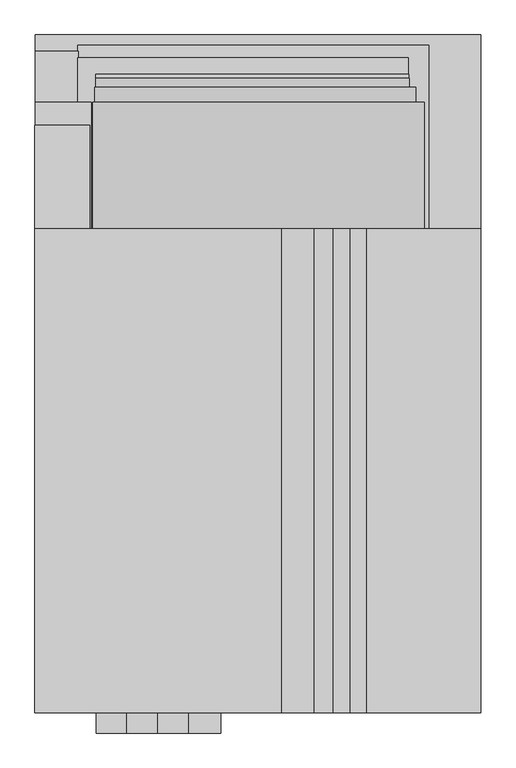
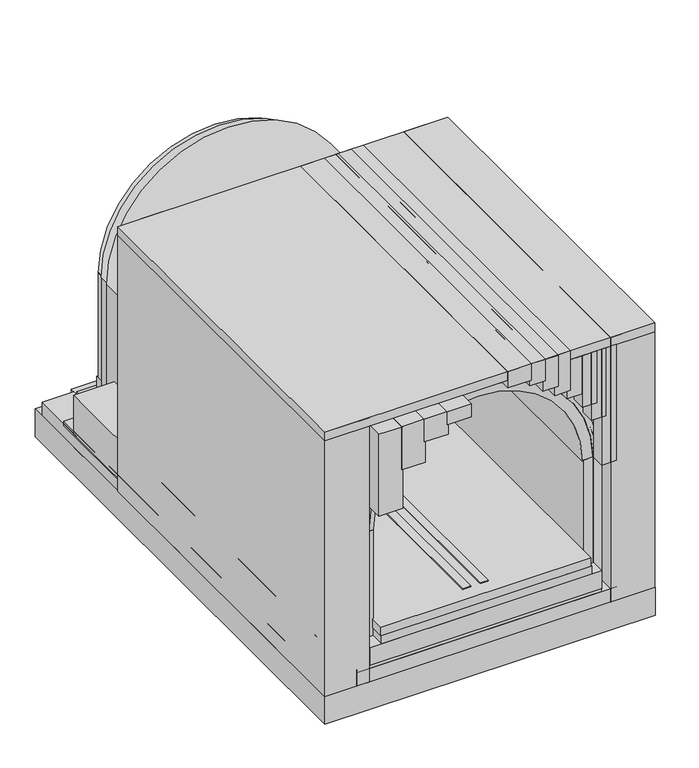
"""IFC4 building model written with IfcOpenShell, lengths in millimetres: proxy geometry."""

from ifc_helpers import new_model, si_unit, point, frame, frame_2d, origin, origin_with_axes, place, context, project, spatial, polyline, circle_curve, trimmed, segment, composite_curve, outline, extrude, source, transform, mapped, element, save


def generic_models_ce04c8e0(model_context):
    return source(origin(), model_context, "Body", "SweptSolid", [
        extrude(outline(polyline([(2188.0572886, 794.2646959), (-39.3313388, 794.2646959), (-39.3313388, 5594.2646959), (2188.0572886, 5594.2646959), (2188.0572886, 794.2646959)])), frame((0.0, 0.0, -1089.0463918), z_axis=(0.0, 0.0, 1.0), x_axis=(1.0, 0.0, 0.0)), (0.0, 0.0, 1.0), 94.3103965),
        extrude(outline(polyline([(998.2208684, 5594.2646959), (998.2208684, 940.0301511), (910.9584035, 940.0301511), (910.9584035, 5594.2646959), (998.2208684, 5594.2646959)])), frame((0.0, 0.0, -994.7359953), z_axis=(0.0, 0.0, 1.0), x_axis=(1.0, 0.0, 0.0)), (0.0, 0.0, 1.0), 11.3051863),
        extrude(outline(polyline([(1185.9584035, 5594.2646959), (1185.9584035, 940.0301511), (1098.6959386, 940.0301511), (1098.6959386, 5594.2646959), (1185.9584035, 5594.2646959)])), frame((0.0, 0.0, -994.7359953), z_axis=(0.0, 0.0, 1.0), x_axis=(1.0, 0.0, 0.0)), (0.0, 0.0, 1.0), 11.3051863),
        extrude(outline(polyline([(-190.6642341, 945.9358311), (-630.6642341, 945.9358311), (-630.6642341, 5585.9335935), (-190.6642341, 5585.9335935), (-190.6642341, 945.9358311)])), frame((0.0, 0.0, -1435.0516472), z_axis=(0.0, 0.0, 1.0), x_axis=(1.0, 0.0, 0.0)), (0.0, 0.0, 1.0), 51.7688796),
        extrude(outline(polyline([(-293.3743755, 945.9358311), (-630.4657607, 945.9358311), (-630.4657607, 5985.9358311), (-293.3743755, 5985.9358311), (-293.3743755, 945.9358311)])), frame((0.0, 0.0, -1566.8804622), z_axis=(0.0, 0.0, 1.0), x_axis=(1.0, 0.0, 0.0)), (0.0, 0.0, 1.0), 153.0500858),
        extrude(outline(polyline([(-202.7552476, 945.9358311), (-571.2734627, 945.9358311), (-632.4257379, 945.9358311), (-632.4257379, 5405.9358311), (-202.7552476, 5405.9358311), (-202.7552476, 945.9358311)])), frame((0.0, 0.0, -1420.9095116), z_axis=(0.0, 0.0, 1.0), x_axis=(1.0, 0.0, 0.0)), (0.0, 0.0, 1.0), 437.4787026),
        extrude(outline(polyline([(-631.4808805, 794.2646959), (-631.4808805, 6114.7593352), (2867.2920817, 6114.7593352), (2867.2920817, 794.2646959), (-631.4808805, 794.2646959)])), frame((0.0, 0.0, -1877.2166655), z_axis=(0.0, 0.0, 1.0), x_axis=(1.0, 0.0, 0.0)), (0.0, 0.0, 1.0), 310.3362034),
        extrude(outline(polyline([(573.863802, 4436.1543494), (825.9048447, 4436.1543494), (825.9048447, 636.1543494), (573.863802, 636.1543494), (573.863802, 4436.1543494)])), frame((0.0, 0.0, 1155.5349821), z_axis=(0.0, 0.0, 1.0), x_axis=(1.0, 0.0, 0.0)), (0.0, 0.0, 1.0), 145.238615),
        extrude(outline(polyline([(331.9080272, 4436.1543494), (583.9490699, 4436.1543494), (583.9490699, 636.1543494), (331.9080272, 636.1543494), (331.9080272, 4436.1543494)])), frame((0.0, 0.0, 1047.2349628), z_axis=(0.0, 0.0, 1.0), x_axis=(1.0, 0.0, 0.0)), (0.0, 0.0, 1.0), 253.5386344),
        extrude(outline(polyline([(89.9522523, 4436.1543494), (341.993295, 4436.1543494), (341.993295, 636.1543494), (89.9522523, 636.1543494), (89.9522523, 4436.1543494)])), frame((0.0, 0.0, 817.3571763), z_axis=(0.0, 0.0, 1.0), x_axis=(1.0, 0.0, 0.0)), (0.0, 0.0, 1.0), 483.4164208),
        extrude(outline(polyline([(-152.0035225, 4436.1543494), (100.0375202, 4436.1543494), (100.0375202, 636.1543494), (-152.0035225, 636.1543494), (-152.0035225, 4436.1543494)])), frame((0.0, 0.0, 385.9716815), z_axis=(0.0, 0.0, 1.0), x_axis=(1.0, 0.0, 0.0)), (0.0, 0.0, 1.0), 914.8019157),
        extrude(outline(polyline([(1304.2373678, 4594.2646959), (1556.2784105, 4594.2646959), (1556.2784105, 794.2646959), (1304.2373678, 794.2646959), (1304.2373678, 4594.2646959)])), frame((0.0, 0.0, 1215.9034089), z_axis=(0.0, 0.0, 1.0), x_axis=(1.0, 0.0, 0.0)), (0.0, 0.0, 1.0), 181.0233443),
        extrude(outline(polyline([(1541.4570512, 4594.2646959), (1704.2373678, 4594.2646959), (1704.2373678, 794.2646959), (1541.4570512, 794.2646959), (1541.4570512, 4594.2646959)])), frame((0.0, 0.0, 1155.5349821), z_axis=(0.0, 0.0, 1.0), x_axis=(1.0, 0.0, 0.0)), (0.0, 0.0, 1.0), 241.3917711),
        extrude(outline(polyline([(1677.0796045, 4594.2646959), (1839.8599211, 4594.2646959), (1839.8599211, 794.2646959), (1677.0796045, 794.2646959), (1677.0796045, 4594.2646959)])), frame((0.0, 0.0, 1047.2349628), z_axis=(0.0, 0.0, 1.0), x_axis=(1.0, 0.0, 0.0)), (0.0, 0.0, 1.0), 349.6917905),
        extrude(outline(polyline([(1806.1475655, 4594.2646959), (1968.9278821, 4594.2646959), (1968.9278821, 794.2646959), (1806.1475655, 794.2646959), (1806.1475655, 4594.2646959)])), frame((0.0, 0.0, 954.9306977), z_axis=(0.0, 0.0, 1.0), x_axis=(1.0, 0.0, 0.0)), (0.0, 0.0, 1.0), 441.9960555),
        extrude(outline(polyline([(1931.1071908, 4594.2646959), (2093.8875075, 4594.2646959), (2093.8875075, 794.2646959), (1931.1071908, 794.2646959), (1931.1071908, 4594.2646959)])), frame((0.0, 0.0, 873.1451351), z_axis=(0.0, 0.0, 1.0), x_axis=(1.0, 0.0, 0.0)), (0.0, 0.0, 1.0), 427.628462),
        extrude(outline(polyline([(2093.8875075, 4594.2646959), (2251.1071908, 4594.2646959), (2251.1071908, 794.2646959), (2093.8875075, 794.2646959), (2093.8875075, 4594.2646959)])), frame((0.0, 0.0, 720.329504), z_axis=(0.0, 0.0, 1.0), x_axis=(1.0, 0.0, 0.0)), (0.0, 0.0, 1.0), 580.4440932),
        extrude(outline(polyline([(2188.2755712, 4594.2646959), (2345.4952546, 4594.2646959), (2345.4952546, 794.2646959), (2188.2755712, 794.2646959), (2188.2755712, 4594.2646959)])), frame((0.0, 0.0, 541.4485258), z_axis=(0.0, 0.0, 1.0), x_axis=(1.0, 0.0, 0.0)), (0.0, 0.0, 1.0), 759.3250713),
        extrude(outline(polyline([(2300.6915262, 4594.2646959), (2457.9112096, 4594.2646959), (2457.9112096, 794.2646959), (2300.6915262, 794.2646959), (2300.6915262, 4594.2646959)])), origin_with_axes(), (0.0, 0.0, 1.0), 1300.7735971),
        extrude(outline(polyline([(-632.7079183, 794.2646959), (-632.7079183, 4594.2646959), (2866.0650439, 4594.2646959), (2866.0650439, 794.2646959), (-632.7079183, 794.2646959)])), frame((0.0, 0.0, 1300.7735971), z_axis=(0.0, 0.0, 1.0), x_axis=(1.0, 0.0, 0.0)), (0.0, 0.0, 1.0), 96.1531561),
        extrude(outline(polyline([(2866.0650439, 4594.2646959), (2866.0650439, 794.2646959), (2395.445916, 794.2646959), (2395.445916, 4594.2646959), (2866.0650439, 4594.2646959)])), frame((0.0, 0.0, -1566.8804622), z_axis=(0.0, 0.0, 1.0), x_axis=(1.0, 0.0, 0.0)), (0.0, 0.0, 1.0), 2963.8072154),
        extrude(outline(polyline([(-162.0887904, 4594.2646959), (-162.0887904, 794.2646959), (-632.7079183, 794.2646959), (-632.7079183, 4594.2646959), (-162.0887904, 4594.2646959)])), frame((0.0, 0.0, -1566.8804622), z_axis=(0.0, 0.0, 1.0), x_axis=(1.0, 0.0, 0.0)), (0.0, 0.0, 1.0), 2963.8072154),
        extrude(outline(polyline([(-175.0, 5585.9335935), (-107.3806318, 5585.9335935), (-107.3806318, 949.8649082), (-175.0, 949.8649082), (-175.0, 5585.9335935)])), frame((0.0, 0.0, -1419.5136212), z_axis=(0.0, 0.0, 1.0), x_axis=(1.0, 0.0, 0.0)), (0.0, 0.0, 1.0), 1434.5136212),
        extrude(outline(polyline([(-116.134999, 5585.9335935), (-31.9427114, 5585.9335935), (-31.9427114, 949.8649082), (-116.134999, 949.8649082), (-116.134999, 5585.9335935)])), frame((0.0, 0.0, -1435.0516472), z_axis=(0.0, 0.0, 1.0), x_axis=(1.0, 0.0, 0.0)), (0.0, 0.0, 1.0), 1434.5136212),
        extrude(outline(composite_curve([segment(trimmed(circle_curve(frame_2d((0.0, 1094.9658672)), 1200.0), [point((-10.3477127, -104.9895173))], [point((9.1453633, 2294.9310177))], True, "CARTESIAN"), True, "CONTINUOUS"), segment(polyline([(9.1453633, 2294.9310177), (9.6026315, 2354.9292752)]), True, "CONTINUOUS"), segment(trimmed(circle_curve(frame_2d((0.0, 1094.9658672)), 1260.0), [point((9.6026315, 2354.9292752))], [point((-10.8650984, -164.9872866))], False, "CARTESIAN"), True, "CONTINUOUS"), segment(polyline([(-10.8650984, -164.9872866), (-10.3477127, -104.9895173)]), True, "CONTINUOUS")], self_intersect=False)), frame((0.0, 940.0301511, 0.0), z_axis=(0.0, 1.0, 0.0), x_axis=(0.0, 0.0, 1.0)), (0.0, 0.0, 1.0), 4765.3089192),
        extrude(outline(polyline([(2457.9112096, 794.2646959), (-295.6165331, 794.2646959), (-295.6165331, 6034.2646959), (2457.9112096, 6034.2646959), (2457.9112096, 794.2646959)])), frame((0.0, 0.0, -1566.8804622), z_axis=(0.0, 0.0, 1.0), x_axis=(1.0, 0.0, 0.0)), (0.0, 0.0, 1.0), 153.0500858),
        extrude(outline(polyline([(2295.4562822, 794.2646959), (-295.6165331, 794.2646959), (-295.6165331, 5934.2646959), (2295.4562822, 5934.2646959), (2295.4562822, 794.2646959)])), frame((0.0, 0.0, -1435.0516472), z_axis=(0.0, 0.0, 1.0), x_axis=(1.0, 0.0, 0.0)), (0.0, 0.0, 1.0), 51.7688796),
        extrude(outline(polyline([(2300.6915262, 794.2646959), (-156.8535464, 794.2646959), (-156.8535464, 5808.303269), (2300.6915262, 5808.303269), (2300.6915262, 794.2646959)])), frame((0.0, 0.0, -1383.2827676), z_axis=(0.0, 0.0, 1.0), x_axis=(1.0, 0.0, 0.0)), (0.0, 0.0, 1.0), 199.9259793),
        extrude(outline(polyline([(2195.445916, 794.2646959), (-31.9427114, 794.2646959), (-31.9427114, 5594.2646959), (2195.445916, 5594.2646959), (2195.445916, 794.2646959)])), frame((0.0, 0.0, -1183.3567883), z_axis=(0.0, 0.0, 1.0), x_axis=(1.0, 0.0, 0.0)), (0.0, 0.0, 1.0), 94.3103965),
        extrude(outline(polyline([(-162.0887904, 5705.3390703), (-120.3272865, 5705.3390703), (-120.3272865, 949.8649082), (-162.0887904, 949.8649082), (-162.0887904, 5705.3390703)])), frame((0.0, 0.0, -1435.0516472), z_axis=(0.0, 0.0, 1.0), x_axis=(1.0, 0.0, 0.0)), (0.0, 0.0, 1.0), 1434.5136212),
        extrude(outline(polyline([(2300.6915262, 5585.9335935), (2395.445916, 5585.9335935), (2395.445916, 949.8649082), (2300.6915262, 949.8649082), (2300.6915262, 5585.9335935)])), frame((0.0, 0.0, -1435.0516472), z_axis=(0.0, 0.0, 1.0), x_axis=(1.0, 0.0, 0.0)), (0.0, 0.0, 1.0), 1453.7774961),
        extrude(outline(composite_curve([segment(trimmed(circle_curve(frame_2d((0.0, 1122.1660379)), 1200.0), [point((-10.3477127, -77.7893466))], [point((9.1453633, 2322.1311884))], True, "CARTESIAN"), True, "CONTINUOUS"), segment(polyline([(9.1453633, 2322.1311884), (9.9074769, 2422.1282842)]), True, "CONTINUOUS"), segment(trimmed(circle_curve(frame_2d((0.0, 1122.1660379)), 1300.0), [point((9.9074769, 2422.1282842))], [point((-11.2100221, -177.7856287))], False, "CARTESIAN"), True, "CONTINUOUS"), segment(polyline([(-11.2100221, -177.7856287), (-10.3477127, -77.7893466)]), True, "CONTINUOUS")], self_intersect=False)), frame((0.0, 945.9358311, 0.0), z_axis=(0.0, 1.0, 0.0), x_axis=(0.0, 0.0, 1.0)), (0.0, 0.0, 1.0), 4639.9977624),
        extrude(outline(polyline([(-156.8535464, 5774.7218732), (-31.9427114, 5774.7218732), (-31.9427114, 983.4463039), (-156.8535464, 983.4463039), (-156.8535464, 5774.7218732)])), frame((0.0, 0.0, -1183.3567883), z_axis=(0.0, 0.0, 1.0), x_axis=(1.0, 0.0, 0.0)), (0.0, 0.0, 1.0), 1182.9573176),
        extrude(outline(polyline([(2195.445916, 5774.7218732), (2300.6915262, 5774.7218732), (2300.6915262, 949.8649082), (2195.445916, 949.8649082), (2195.445916, 5774.7218732)])), frame((0.0, 0.0, -1183.3567883), z_axis=(0.0, 0.0, 1.0), x_axis=(1.0, 0.0, 0.0)), (0.0, 0.0, 1.0), 1182.8187623),
        extrude(outline(composite_curve([segment(trimmed(circle_curve(frame_2d((0.0, 1075.4561214)), 1107.3988328), [point((-0.6620104, -31.9425135))], [point((-5.2736544, 2182.842397))], True, "CARTESIAN"), True, "CONTINUOUS"), segment(polyline([(-5.2736544, 2182.842397), (-5.8614353, 2306.2673423)]), True, "CONTINUOUS"), segment(trimmed(circle_curve(frame_2d((0.0, 1075.4561214)), 1230.8251776), [point((-5.8614353, 2306.2673423))], [point((-0.7357955, -155.3688363))], False, "CARTESIAN"), True, "CONTINUOUS"), segment(polyline([(-0.7357955, -155.3688363), (-0.6620104, -31.9425135)]), True, "CONTINUOUS")], self_intersect=False)), frame((0.0, 949.8649082, 0.0), z_axis=(0.0, 1.0, 0.0), x_axis=(0.0, 0.0, 1.0)), (0.0, 0.0, 1.0), 4824.8569651),
    ])


if __name__ == "__main__":
    model = new_model("IFC4")
    model_context = context("Model", 3, world=origin())
    ifc_project = project(units=[si_unit("LENGTHUNIT", "METRE", prefix="MILLI")], contexts=[model_context])
    site = spatial("IfcSite", under=ifc_project)
    building = spatial("IfcBuilding", under=site)
    placement = place(None, origin())
    generic_models_shape = generic_models_ce04c8e0(model_context)
    element("IfcBuildingElementProxy", 1, Name="Generic Models", at=placement, inside=building, context=model_context, shape_type="MappedRepresentation", body=[
        mapped(generic_models_shape, transform((0.0, 0.0, 0.0), x_axis=(1.0, 0.0, 0.0), y_axis=(0.0, 1.0, 0.0), z_axis=(0.0, 0.0, 1.0))),
    ])
    save(model, "model.ifc")
